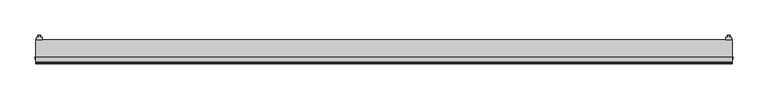
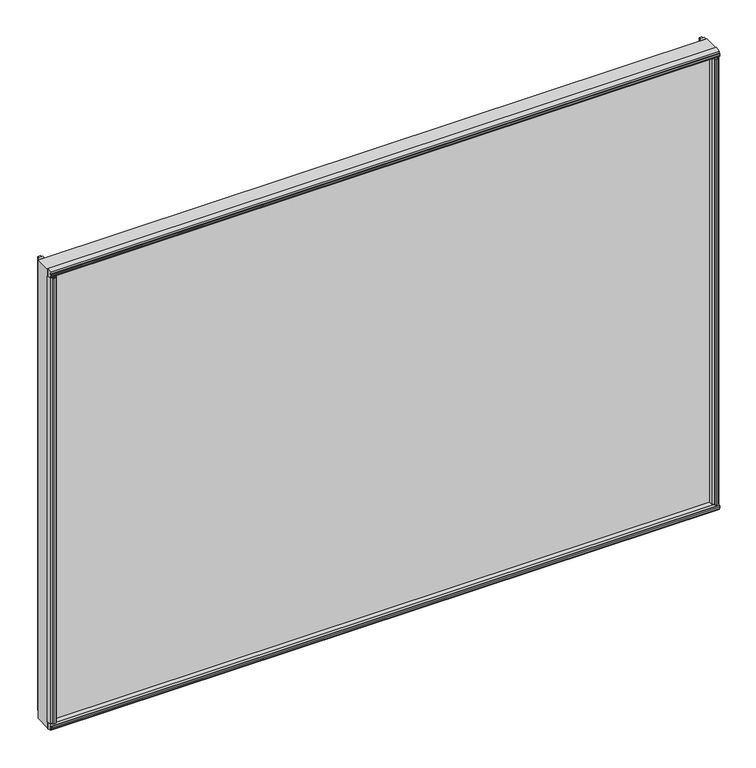
"""IFC4 building model written with IfcOpenShell, lengths in millimetres: plate geometry."""

from ifc_helpers import new_model, si_unit, frame, origin, origin_with_axes, place, context, project, spatial, polyline, outline, extrude, source, transform, mapped, element, save


def plate_d8f84dff(model_context):
    return source(origin(), model_context, "Body", "SweptSolid", [
        extrude(outline(polyline([(592.1248, 4.7498), (595.63, 4.7498), (596.1126, 7.4676), (594.5632, 7.2136), (594.5632, 8.0264), (596.9, 8.4328), (599.2368, 8.0264), (599.2368, 7.2136), (597.6874, 7.4676), (598.17, 4.7498), (601.6752, 4.7498), (602.2029556, 2.498043), (601.6752, 0.0), (592.1248, 0.0), (591.5970444, 2.498043), (592.1248, 4.7498)])), frame((0.0, 0.0, 12.303125), z_axis=(0.0, 0.0, 1.0), x_axis=(1.0, 0.0, 0.0)), (0.0, 0.0, 1.0), 863.3569979),
        extrude(outline(polyline([(-598.17, 4.7498), (-597.6874, 7.4676), (-599.2368, 7.2136), (-599.2368, 8.0264), (-596.9, 8.4328), (-594.5632, 8.0264), (-594.5632, 7.2136), (-596.1126, 7.4676), (-595.63, 4.7498), (-592.1248, 4.7498), (-591.5970444, 2.498043), (-592.1248, 0.0), (-601.6752, 0.0), (-602.2029556, 2.498043), (-601.6752, 4.7498), (-598.17, 4.7498)])), frame((0.0, 0.0, 12.303125), z_axis=(0.0, 0.0, 1.0), x_axis=(1.0, 0.0, 0.0)), (0.0, 0.0, 1.0), 863.3569979),
        extrude(outline(polyline([(-596.9034571, -39.5931295), (-595.3549754, -39.3335897), (-595.3520684, -40.1463845), (-597.6874, -40.5611395), (-600.0256386, -40.1630997), (-600.0256386, -39.3503049), (-598.478247, -39.5987618), (-598.9705727, -36.8826581), (-603.2659219, -36.8826581), (-604.4881967, -30.1244), (-590.9698239, -30.1244), (-592.1380079, -36.8582683), (-596.4279109, -36.8582683), (-596.9034571, -39.5931295)])), frame((0.0, 0.0, 12.303125), z_axis=(0.0, 0.0, 1.0), x_axis=(1.0, 0.0, 0.0)), (0.0, 0.0, 1.0), 850.6569979),
        extrude(outline(polyline([(598.478247, -39.5987618), (600.0242, -39.3510013), (600.0242, -40.1633446), (597.6874, -40.5611395), (595.3506, -40.1461237), (595.3506, -39.3328563), (596.9034571, -39.5931295), (596.4305804, -36.8736209), (592.1380079, -36.8736209), (590.9698239, -30.1244), (604.4881967, -30.1244), (603.2659134, -36.8827052), (598.9705642, -36.8827052), (598.478247, -39.5987618)])), frame((0.0, 0.0, 12.303125), z_axis=(0.0, 0.0, 1.0), x_axis=(1.0, 0.0, 0.0)), (0.0, 0.0, 1.0), 850.6569979),
        extrude(outline(polyline([(-30.1244, 12.8880688), (-30.1244, -1.5575618), (-38.3876619, 0.3386981), (-37.7963354, 4.590374), (-40.4217442, 5.4427636), (-40.3836033, 3.8731454), (-41.1886544, 3.9851125), (-41.269274, 6.3556179), (-40.5448426, 8.6141559), (-39.7397916, 8.5021887), (-40.2048076, 7.00255), (-37.4464371, 7.1061584), (-36.8551106, 11.3578343), (-30.1244, 12.8880688)])), frame((-603.25, 0.0, 0.0), z_axis=(1.0, 0.0, 0.0), x_axis=(0.0, 1.0, 0.0)), (0.0, 0.0, 1.0), 1206.5),
        extrude(outline(polyline([(-603.25, 0.0), (603.25, 0.0), (603.25, -30.1244), (-603.25, -30.1244), (-603.25, 0.0)])), origin_with_axes(), (0.0, 0.0, 1.0), 875.6601229),
        extrude(outline(polyline([(-41.1923071, 871.6745024), (-40.3836033, 871.7869776), (-40.4217442, 870.2173594), (-37.7963354, 871.0697489), (-38.3876619, 875.3214248), (-30.1244, 877.2176847), (-30.1244, 862.7720542), (-36.8551106, 864.3022887), (-37.4489919, 868.5723337), (-40.2048076, 868.657573), (-39.7397916, 867.1579342), (-40.5448426, 867.045967), (-41.269274, 869.304505), (-41.1923071, 871.6745024)])), frame((-603.25, 0.0, 0.0), z_axis=(1.0, 0.0, 0.0), x_axis=(0.0, 1.0, 0.0)), (0.0, 0.0, 1.0), 1206.5),
    ])


if __name__ == "__main__":
    model = new_model("IFC4")
    model_context = context("Model", 3, world=origin())
    ifc_project = project(units=[si_unit("LENGTHUNIT", "METRE", prefix="MILLI")], contexts=[model_context])
    site = spatial("IfcSite", under=ifc_project)
    building = spatial("IfcBuilding", under=site)
    placement = place(None, origin())
    plate_shape = plate_d8f84dff(model_context)
    element("IfcPlate", 1, at=placement, inside=building, context=model_context, shape_type="MappedRepresentation", body=[
        mapped(plate_shape, transform((0.0, 0.0, 0.0), x_axis=(1.0, 0.0, 0.0), y_axis=(0.0, 1.0, 0.0), z_axis=(0.0, 0.0, 1.0))),
    ])
    save(model, "model.ifc")
